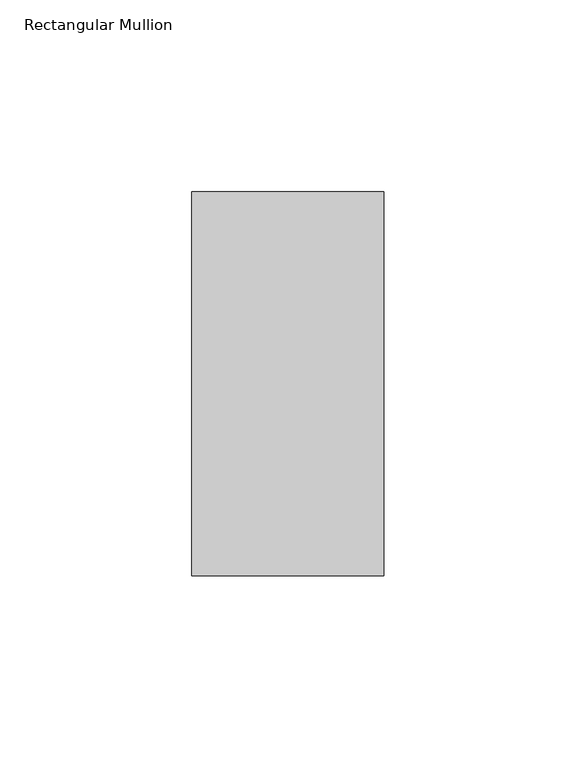
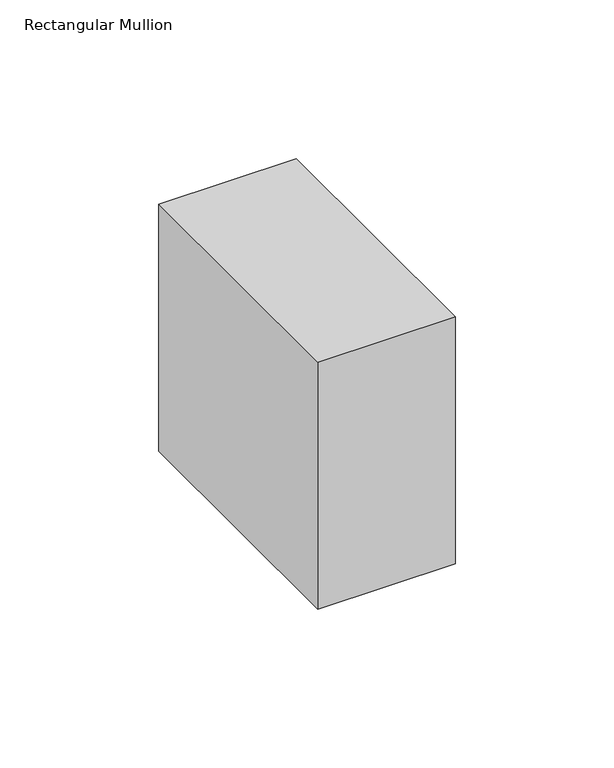
"""IFC4 building model written with IfcOpenShell, lengths in millimetres: member geometry, Rectangular Mullion."""

from ifc_helpers import new_model, si_unit, frame, origin, place, context, project, spatial, polyline, outline, extrude, source, transform, mapped, element, save


def rectangular_mullion_14bd29ac(model_context):
    return source(origin(), model_context, "Body", "SweptSolid", [
        extrude(outline(polyline([(25.0, 31.0), (25.0, -69.0), (-25.0, -69.0), (-25.0, 31.0), (25.0, 31.0)])), frame((0.0, 0.0, -95.0), z_axis=(0.0, 0.0, 1.0), x_axis=(1.0, 0.0, 0.0)), (0.0, 0.0, 1.0), 95.0),
    ])


if __name__ == "__main__":
    model = new_model("IFC4")
    model_context = context("Model", 3, world=origin())
    ifc_project = project(units=[si_unit("LENGTHUNIT", "METRE", prefix="MILLI")], contexts=[model_context])
    site = spatial("IfcSite", under=ifc_project)
    building = spatial("IfcBuilding", under=site)
    placement = place(None, origin())
    rectangular_mullion_shape = rectangular_mullion_14bd29ac(model_context)
    element("IfcMember", 1, ObjectType="Rectangular Mullion", at=placement, inside=building, context=model_context, shape_type="MappedRepresentation", body=[
        mapped(rectangular_mullion_shape, transform((0.0, 0.0, 0.0), x_axis=(1.0, 0.0, 0.0), y_axis=(0.0, 1.0, 0.0), z_axis=(0.0, 0.0, 1.0))),
    ])
    save(model, "model.ifc")
